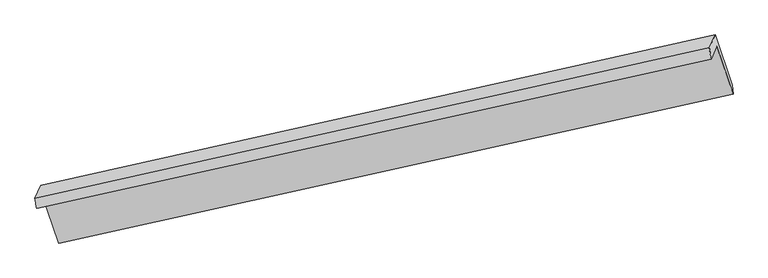
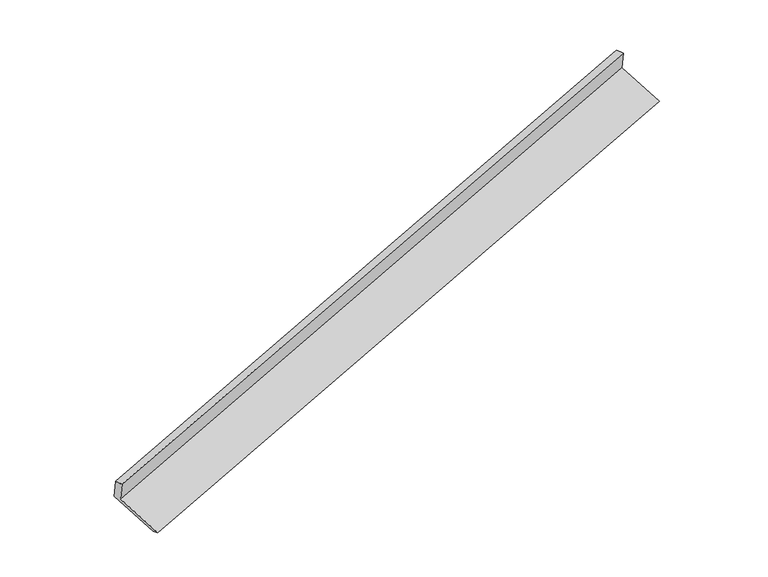
"""IFC4 building model written with IfcOpenShell, lengths in millimetres: proxy geometry."""

from ifc_helpers import new_model, si_unit, frame, origin, place, context, project, spatial, source, transform, mapped, element, save
from ifc_brep_helpers import plane_surface, spline_surface, advanced_brep


def generic_models_0573f4d6(model_context):
    return source(origin(), model_context, "Body", "AdvancedBrep", [
        advanced_brep(
        [(-7580.8023246, -2496.8694501, 869.7876136), (-7500.6175743, -2318.2277404, 482.8761872), (1701.2632226, -279.8322705, 3325.4512448), (1622.9275846, -454.3543864, 3703.4402426), (-7603.9511818, -2359.5789839, 846.3347304), (1600.4383697, -299.9509463, 3665.6099121), (-7522.240445, -2177.5375652, 452.0600387), (1680.2999941, -122.0291213, 3280.2576489), (-7290.5057181, -2854.2888104, 187.6212001), (1915.0733035, -807.6541531, 3012.3514007), (-7277.9985948, -2968.3576263, 228.8395775), (1923.882202, -929.9621564, 3071.4146351)],
        [
            (0, 1),
            (1, 2),
            (2, 3),
            (3, 0),
            (4, 0),
            (3, 5),
            (5, 4),
            (6, 4),
            (5, 7),
            (7, 6),
            (8, 6),
            (7, 9),
            (9, 8),
            (10, 8),
            (9, 11),
            (11, 10),
            (1, 10),
            (11, 2),
        ],
        [
            plane_surface(frame((-7540.7099494, -2407.5485953, 676.3319004), z_axis=(0.3037061964395153, -0.8874123142696828, -0.34678801987203745), x_axis=(0.18491123690053202, 0.4119593732279699, -0.8922428533070655))),
            spline_surface(1, 1, [[(-7603.9511818, -2359.5789839, 846.3347304), (1600.4383697, -299.9509463, 3665.6099121)], [(-7580.8023246, -2496.8694501, 869.7876136), (1622.9275846, -454.3543864, 3703.4402426)]], [2, 2], [2, 2], [0.0, 1.0], [0.0, 1.0]),
            plane_surface(frame((-7563.0958134, -2268.5582745, 649.1973846), z_axis=(-0.3046554737379607, 0.8872017297438829, 0.34649405920009785), x_axis=(-0.18491123690057792, -0.41195937322796644, 0.8922428533070575))),
            plane_surface(frame((-7406.3730815, -2515.9131878, 319.8406194), z_axis=(0.18253718791429385, 0.41143236299587416, -0.8929745717028974), x_axis=(-0.30385824993683586, 0.8873786494861056, 0.3467409643834124))),
            spline_surface(1, 1, [[(-7277.9985948, -2968.3576263, 228.8395775), (1923.882202, -929.9621564, 3071.4146351)], [(-7290.5057181, -2854.2888104, 187.6212001), (1915.0733035, -807.6541531, 3012.3514007)]], [2, 2], [2, 2], [0.0, 1.0], [0.0, 1.0]),
            plane_surface(frame((-7389.3080846, -2643.2926834, 355.8578824), z_axis=(-0.18443652103690428, -0.411854183402454, 0.8923896577850403), x_axis=(0.30385824993682636, -0.8873786494861106, -0.3467409643834078))),
            plane_surface(frame((1740.6474461, -482.2971723, 3343.087514), z_axis=(0.9346004485410974, 0.20699905131629548, 0.28926353786976583), x_axis=(-0.30385824993683586, 0.8873786494861056, 0.3467409643834124))),
            plane_surface(frame((-7462.6859731, -2529.1433627, 511.2532246), z_axis=(-0.9346004485412405, -0.20699905131592486, -0.2892635378695691), x_axis=(-0.18491123690051564, -0.4119593732280036, 0.8922428533070534))),
        ],
        [
            (0, [[1, 2, 3, 4]]),
            (1, [[5, -4, 6, 7]]),
            (2, [[8, -7, 9, 10]]),
            (3, [[11, -10, 12, 13]]),
            (4, [[14, -13, 15, 16]]),
            (5, [[17, -16, 18, -2]]),
            (6, [[-12, -9, -6, -3, -18, -15]]),
            (7, [[-1, -5, -8, -11, -14, -17]]),
        ],
    ),
    ])


if __name__ == "__main__":
    model = new_model("IFC4")
    model_context = context("Model", 3, world=origin())
    ifc_project = project(units=[si_unit("LENGTHUNIT", "METRE", prefix="MILLI")], contexts=[model_context])
    site = spatial("IfcSite", under=ifc_project)
    building = spatial("IfcBuilding", under=site)
    placement = place(None, origin())
    generic_models_shape = generic_models_0573f4d6(model_context)
    element("IfcBuildingElementProxy", 1, Name="Generic Models", at=placement, inside=building, context=model_context, shape_type="MappedRepresentation", body=[
        mapped(generic_models_shape, transform((0.0, 0.0, 0.0), x_axis=(1.0, 0.0, 0.0), y_axis=(0.0, 1.0, 0.0), z_axis=(0.0, 0.0, 1.0))),
    ])
    save(model, "model.ifc")
